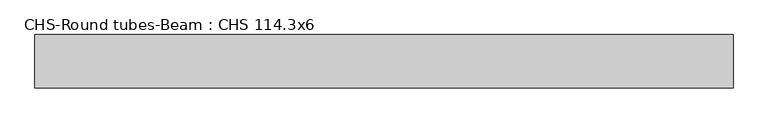
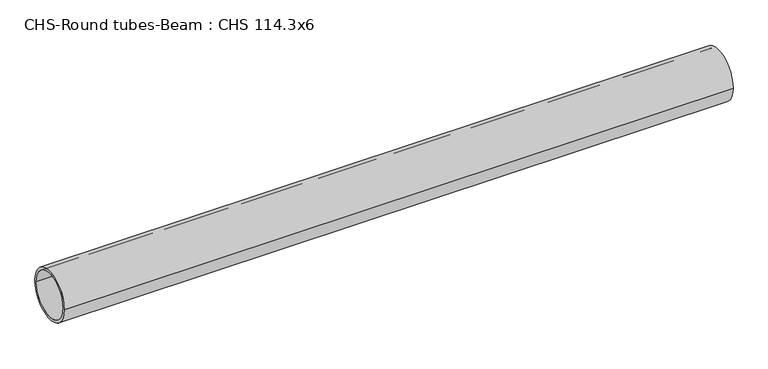
"""IFC4 building model written with IfcOpenShell, lengths in millimetres: beam geometry, CHS-Round tubes-Beam : CHS 114.3x6."""

from ifc_helpers import new_model, si_unit, point, frame, origin, origin_2d, place, context, project, spatial, circle_curve, trimmed, segment, composite_curve, outline, extrude, source, transform, mapped, element, save


def chs_round_tubes_beam_chs_114_3x6_1c3fb8e8(model_context):
    return source(origin(), model_context, "Body", "SweptSolid", [
        extrude(outline(composite_curve([segment(trimmed(circle_curve(origin_2d(), 57.15), [point((57.15, 0.0))], [point((-57.15, 0.0))], False, "CARTESIAN"), True, "CONTINUOUS"), segment(trimmed(circle_curve(origin_2d(), 57.15), [point((-57.15, 0.0))], [point((57.15, 0.0))], False, "CARTESIAN"), True, "CONTINUOUS")], self_intersect=False), holes=[composite_curve([segment(trimmed(circle_curve(origin_2d(), 51.15), [point((51.15, 0.0))], [point((-51.15, 0.0))], True, "CARTESIAN"), True, "CONTINUOUS"), segment(trimmed(circle_curve(origin_2d(), 51.15), [point((-51.15, 0.0))], [point((51.15, 0.0))], True, "CARTESIAN"), True, "CONTINUOUS")], self_intersect=False)]), frame((-764.4346985, 0.0, 0.0), z_axis=(1.0, 0.0, 0.0), x_axis=(0.0, 1.0, 0.0)), (0.0, 0.0, 1.0), 1500.8044586),
    ])


if __name__ == "__main__":
    model = new_model("IFC4")
    model_context = context("Model", 3, world=origin())
    ifc_project = project(units=[si_unit("LENGTHUNIT", "METRE", prefix="MILLI")], contexts=[model_context])
    site = spatial("IfcSite", under=ifc_project)
    building = spatial("IfcBuilding", under=site)
    placement = place(None, origin())
    chs_round_tubes_beam_chs_114_3x6_shape = chs_round_tubes_beam_chs_114_3x6_1c3fb8e8(model_context)
    element("IfcBeam", 1, ObjectType="CHS-Round tubes-Beam : CHS 114.3x6", at=placement, inside=building, context=model_context, shape_type="MappedRepresentation", body=[
        mapped(chs_round_tubes_beam_chs_114_3x6_shape, transform((0.0, 0.0, 0.0), x_axis=(1.0, 0.0, 0.0), y_axis=(0.0, 1.0, 0.0), z_axis=(0.0, 0.0, 1.0))),
    ])
    save(model, "model.ifc")
